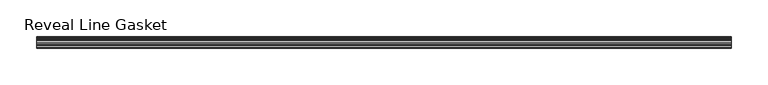
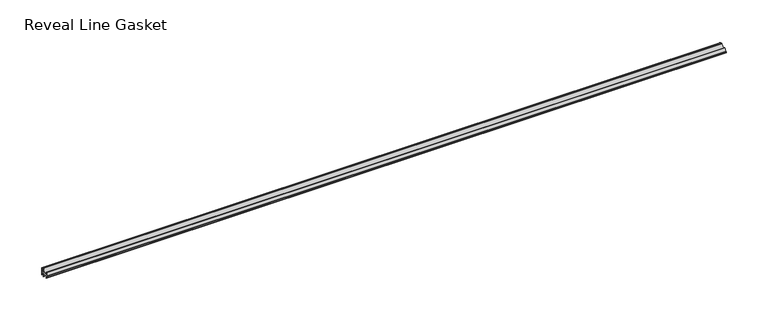
"""IFC4 building model written with IfcOpenShell, lengths in millimetres: furniture geometry, Reveal Line Gasket."""

from ifc_helpers import new_model, si_unit, point, frame, frame_2d, origin, place, context, project, spatial, polyline, circle_curve, trimmed, segment, composite_curve, outline, extrude, source, transform, mapped, element, save


def reveal_line_gasket_9874843c(model_context):
    return source(origin(), model_context, "Body", "SweptSolid", [
        extrude(outline(composite_curve([segment(polyline([(7.6326998, 1603.2), (7.6326998, 1597.2), (7.4091917, 1596.2445073), (6.8813059, 1595.3115316)]), True, "CONTINUOUS"), segment(trimmed(circle_curve(frame_2d((6.5243141, 1595.5135207)), 0.4101739), [point((6.8813059, 1595.3115316))], [point((6.1246704, 1595.6058653))], False, "CARTESIAN"), True, "CONTINUOUS"), segment(polyline([(6.1246704, 1595.6058653), (6.3626997, 1597.3020914), (6.3626997, 1599.3345473)]), True, "CONTINUOUS"), segment(trimmed(circle_curve(frame_2d((5.6959605, 1598.9180742)), 0.786124), [point((6.3626997, 1599.3345473))], [point((5.0926996, 1599.422125))], True, "CARTESIAN"), True, "CONTINUOUS"), segment(polyline([(5.0926996, 1599.422125), (0.7492996, 1599.422125), (3.7293824, 1594.2604705)]), True, "CONTINUOUS"), segment(trimmed(circle_curve(frame_2d((3.3132479, 1594.1950239)), 0.4212495), [point((3.7293824, 1594.2604705))], [point((3.0485022, 1593.8673642))], False, "CARTESIAN"), True, "CONTINUOUS"), segment(polyline([(3.0485022, 1593.8673642), (-0.5742594, 1599.422125), (-4.8262978, 1599.422125), (-3.1660374, 1596.5464703)]), True, "CONTINUOUS"), segment(trimmed(circle_curve(frame_2d((-3.5978728, 1596.4881145)), 0.4357605), [point((-3.1660374, 1596.5464703))], [point((-3.864328, 1596.1433119))], False, "CARTESIAN"), True, "CONTINUOUS"), segment(polyline([(-3.864328, 1596.1433119), (-6.1944059, 1599.422125), (-7.6326998, 1599.422125), (-7.6326998, 1600.977875), (-6.1944059, 1600.977875), (-3.864328, 1604.2566881)]), True, "CONTINUOUS"), segment(trimmed(circle_curve(frame_2d((-3.5978728, 1603.9118855)), 0.4357605), [point((-3.864328, 1604.2566881))], [point((-3.1660374, 1603.8535297))], False, "CARTESIAN"), True, "CONTINUOUS"), segment(polyline([(-3.1660374, 1603.8535297), (-4.8262978, 1600.977875), (-0.5742594, 1600.977875), (3.0485022, 1606.5326358)]), True, "CONTINUOUS"), segment(trimmed(circle_curve(frame_2d((3.3132479, 1606.2049761)), 0.4212495), [point((3.0485022, 1606.5326358))], [point((3.7293824, 1606.1395295))], False, "CARTESIAN"), True, "CONTINUOUS"), segment(polyline([(3.7293824, 1606.1395295), (0.7492996, 1600.977875), (5.0926996, 1600.977875)]), True, "CONTINUOUS"), segment(trimmed(circle_curve(frame_2d((5.6959605, 1601.4819258)), 0.786124), [point((5.0926996, 1600.977875))], [point((6.3626997, 1601.0654527))], True, "CARTESIAN"), True, "CONTINUOUS"), segment(polyline([(6.3626997, 1601.0654527), (6.3626997, 1603.0979086), (6.1246704, 1604.7941347)]), True, "CONTINUOUS"), segment(trimmed(circle_curve(frame_2d((6.5243141, 1604.8864793)), 0.4101739), [point((6.1246704, 1604.7941347))], [point((6.8813059, 1605.0884684))], False, "CARTESIAN"), True, "CONTINUOUS"), segment(polyline([(6.8813059, 1605.0884684), (7.4091917, 1604.1554927), (7.6326998, 1603.2)]), True, "CONTINUOUS")], self_intersect=False)), frame((-471.2750006, 0.0, 0.0), z_axis=(1.0, 0.0, 0.0), x_axis=(0.0, 1.0, 0.0)), (0.0, 0.0, 1.0), 942.5500012),
    ])


if __name__ == "__main__":
    model = new_model("IFC4")
    model_context = context("Model", 3, world=origin())
    ifc_project = project(units=[si_unit("LENGTHUNIT", "METRE", prefix="MILLI")], contexts=[model_context])
    site = spatial("IfcSite", under=ifc_project)
    building = spatial("IfcBuilding", under=site)
    placement = place(None, origin())
    reveal_line_gasket_shape = reveal_line_gasket_9874843c(model_context)
    element("IfcFurniture", 1, ObjectType="Reveal Line Gasket", at=placement, inside=building, context=model_context, shape_type="MappedRepresentation", body=[
        mapped(reveal_line_gasket_shape, transform((0.0, 0.0, 0.0), x_axis=(1.0, 0.0, 0.0), y_axis=(0.0, 1.0, 0.0), z_axis=(0.0, 0.0, 1.0))),
    ])
    save(model, "model.ifc")
